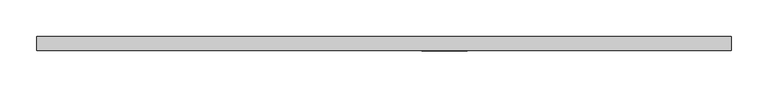
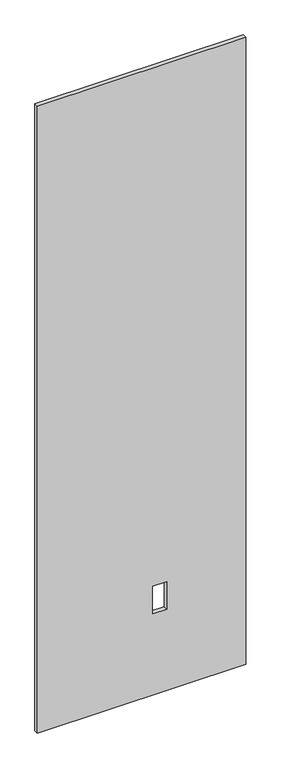
"""IFC4 building model written with IfcOpenShell, lengths in millimetres: proxy geometry."""

import ifcopenshell
import ifcopenshell.guid

model = None  # the IFC model being written
_history = None  # IfcOwnerHistory: only IFC2X3 demands one
_inside = {}  # id of a spatial element -> (the spatial element, [elements in it])
_under = {}  # id of a project, library or spatial element -> (it, [spatial elements below it])
_declared = {}  # id of a project -> (the project, [libraries it declares])
_typed = {}  # id of a type object -> (the type object, [elements of that type])
_made_of = {}  # id of a material, layer set ... -> (it, [elements and type objects made of it])


def new_model(schema):
    """Start an empty IFC model of exactly this schema.

    Asked for "IFC4X3", IfcOpenShell would pick the latest addendum, in which some entities
    have other attributes; the version numbers below select the first issue.
    IFC2X3 requires an IfcOwnerHistory on every rooted entity: one is made here for all.
    """
    global model, _history
    if schema == "IFC4X3":
        model = ifcopenshell.file(schema_version=(4, 3, 0, 0))
    else:
        model = ifcopenshell.file(schema=schema)
    _inside.clear()
    _under.clear()
    _declared.clear()
    _typed.clear()
    _made_of.clear()
    _history = None
    if model.schema == "IFC2X3":
        org = make("IfcOrganization", Name="unknown")
        user = make(
            "IfcPersonAndOrganization",
            ThePerson=make("IfcPerson", FamilyName="unknown"),
            TheOrganization=org,
        )
        app = make(
            "IfcApplication",
            ApplicationDeveloper=org,
            Version="unknown",
            ApplicationFullName="unknown",
            ApplicationIdentifier="unknown",
        )
        _history = make(
            "IfcOwnerHistory",
            OwningUser=user,
            OwningApplication=app,
            ChangeAction="ADDED",
            CreationDate=0,
        )
    return model


def make(cls, **values):
    """One entity of the class cls with the attributes given. An attribute that is None is left unset."""
    return model.create_entity(
        cls, **{name: value for name, value in values.items() if value is not None}
    )


def rooted(cls, **values):
    """An entity with a GlobalId (a new one), such as an element, a storey or a relation."""
    return make(cls, GlobalId=ifcopenshell.guid.new(), OwnerHistory=_history, **values)


def si_unit(unit_type, name, prefix=None):
    """IfcSIUnit, for example si_unit("LENGTHUNIT", "METRE", prefix="MILLI")."""
    return make("IfcSIUnit", UnitType=unit_type, Prefix=prefix, Name=name)


def assignment(units):
    """IfcUnitAssignment: the units of a project."""
    return None if units is None else make("IfcUnitAssignment", Units=units)


def point(xyz):
    """IfcCartesianPoint."""
    return None if xyz is None else make("IfcCartesianPoint", Coordinates=xyz)


def direction(xyz):
    """IfcDirection."""
    return None if xyz is None else make("IfcDirection", DirectionRatios=xyz)


def frame(location, z_axis=None, x_axis=None):
    """IfcAxis2Placement3D, a coordinate frame: its origin and axes. An axis left out is left unset."""
    return make(
        "IfcAxis2Placement3D",
        Location=point(location),
        Axis=direction(z_axis),
        RefDirection=direction(x_axis),
    )


def origin():
    """The frame at (0, 0, 0) with its axes left unset."""
    return frame((0.0, 0.0, 0.0))


def place(relative_to, where):
    """IfcLocalPlacement: puts the frame where relative to a parent placement (None: the world)."""
    return make(
        "IfcLocalPlacement", PlacementRelTo=relative_to, RelativePlacement=where
    )


def context(
    kind, dimensions, precision=None, world=None, true_north=None, identifier=None
):
    """IfcGeometricRepresentationContext, for example the 3D "Model" context."""
    return make(
        "IfcGeometricRepresentationContext",
        ContextIdentifier=identifier,
        ContextType=kind,
        CoordinateSpaceDimension=dimensions,
        Precision=precision,
        WorldCoordinateSystem=world,
        TrueNorth=true_north,
    )


def project(units=None, contexts=None):
    """IfcProject with its units and contexts."""
    return rooted(
        "IfcProject",
        Name="project",
        RepresentationContexts=contexts,
        UnitsInContext=assignment(units),
    )


def spatial(cls, under=None, at=None, **own):
    """A site, building, storey or space (cls), placed at a placement, below another one or the project."""
    s = rooted(cls, ObjectPlacement=at, **own)
    if under is not None:
        _under.setdefault(under.id(), (under, []))[1].append(s)
    return s


def polyline(points):
    """IfcPolyline through the points."""
    return make("IfcPolyline", Points=[point(p) for p in points])


def outline(outer, holes=None, kind="AREA"):
    """IfcArbitraryClosedProfileDef: a profile drawn as a closed curve; with holes, ...WithVoids."""
    if holes is None:
        return make("IfcArbitraryClosedProfileDef", ProfileType=kind, OuterCurve=outer)
    return make(
        "IfcArbitraryProfileDefWithVoids",
        ProfileType=kind,
        OuterCurve=outer,
        InnerCurves=holes,
    )


def extrude(swept, where, along, depth):
    """IfcExtrudedAreaSolid: the profile swept, set in the frame where, extruded along a direction by depth."""
    return make(
        "IfcExtrudedAreaSolid",
        SweptArea=swept,
        Position=where,
        ExtrudedDirection=direction(along),
        Depth=depth,
    )


def shape(context_of_items, identifier, shape_type, items):
    """IfcShapeRepresentation: the items that make up one representation, for example the "Body"."""
    return make(
        "IfcShapeRepresentation",
        ContextOfItems=context_of_items,
        RepresentationIdentifier=identifier,
        RepresentationType=shape_type,
        Items=items,
    )


def source(mapping_origin, context_of_items, identifier, shape_type, items):
    """IfcRepresentationMap: a shape defined once, which mapped items show again and again."""
    return make(
        "IfcRepresentationMap",
        MappingOrigin=mapping_origin,
        MappedRepresentation=shape(context_of_items, identifier, shape_type, items),
    )


def transform(
    local_origin,
    x_axis=None,
    y_axis=None,
    z_axis=None,
    scale=None,
    scale2=None,
    scale3=None,
    uniform=True,
):
    """IfcCartesianTransformationOperator3D, or its non-uniform kind. x_axis, y_axis, z_axis: its Axis1, 2, 3."""
    if uniform:
        return make(
            "IfcCartesianTransformationOperator3D",
            Axis1=direction(x_axis),
            Axis2=direction(y_axis),
            LocalOrigin=point(local_origin),
            Scale=scale,
            Axis3=direction(z_axis),
        )
    return make(
        "IfcCartesianTransformationOperator3DnonUniform",
        Axis1=direction(x_axis),
        Axis2=direction(y_axis),
        LocalOrigin=point(local_origin),
        Scale=scale,
        Axis3=direction(z_axis),
        Scale2=scale2,
        Scale3=scale3,
    )


def mapped(mapping_source, mapping_target):
    """IfcMappedItem: shows the shape of a source again, moved by a transform."""
    return make(
        "IfcMappedItem", MappingSource=mapping_source, MappingTarget=mapping_target
    )


def made_of(thing, what):
    """Note that an element or type object is made of a material, layer set ...; save() writes the relation."""
    if what is not None:
        _made_of.setdefault(what.id(), (what, []))[1].append(thing)
    return thing


def element(
    cls,
    number,
    at=None,
    inside=None,
    cuts=None,
    type_object=None,
    material=None,
    context=None,
    identifier="Body",
    shape_type=None,
    held_by="IfcProductDefinitionShape",
    body=None,
    shapes=None,
    **own,
):
    """One element of the class cls, such as IfcWall. Its Tag is "e" and its number.

    at: its placement. inside: the storey or other place that contains it. cuts: it is an
    opening in that element (IfcRelVoidsElement). A single representation is given by context,
    identifier, shape_type and body (its items); several are given by shapes. held_by: the class
    of the entity that holds the representations. save() writes the other relations.
    """
    e = rooted(cls, Tag="e%d" % number, ObjectPlacement=at, **own)
    if body is not None:
        shapes = [shape(context, identifier, shape_type, body)]
    if shapes is not None:
        e.Representation = make(held_by, Representations=shapes)
    if inside is not None:
        _inside.setdefault(inside.id(), (inside, []))[1].append(e)
    if cuts is not None:
        rooted(
            "IfcRelVoidsElement", RelatingBuildingElement=cuts, RelatedOpeningElement=e
        )
    if type_object is not None:
        _typed.setdefault(type_object.id(), (type_object, []))[1].append(e)
    return made_of(e, material)


def aggregate(whole, parts):
    """IfcRelAggregates: a whole, such as a stair, and the parts it consists of."""
    return rooted("IfcRelAggregates", RelatingObject=whole, RelatedObjects=parts)


def save(model, path):
    """Write the relations noted so far, then the file.

    IfcRelAggregates (storeys below a building ...), IfcRelContainedInSpatialStructure (elements
    in a storey), IfcRelDefinesByType, IfcRelAssociatesMaterial and IfcRelDeclares: one each for
    every whole, place, type object, material and project.
    """
    for whole, parts in _under.values():
        aggregate(whole, parts)
    for where, things in _inside.values():
        rooted(
            "IfcRelContainedInSpatialStructure",
            RelatedElements=things,
            RelatingStructure=where,
        )
    for kind, things in _typed.values():
        rooted("IfcRelDefinesByType", RelatedObjects=things, RelatingType=kind)
    for what, things in _made_of.values():
        rooted("IfcRelAssociatesMaterial", RelatedObjects=things, RelatingMaterial=what)
    for by, libraries in _declared.values():
        rooted("IfcRelDeclares", RelatingContext=by, RelatedDefinitions=libraries)
    model.write(path)


def specialty_equipment_fd201a80(model_context):
    return source(origin(), model_context, "Body", "SweptSolid", [
        extrude(outline(polyline([(2999.5368001, 471.2750006), (2999.5368001, -471.2750006), (3.175, -471.2750006), (3.175, 471.2750006), (2999.5368001, 471.2750006)]), holes=[polyline([(522.478, 112.8268), (391.922, 112.8268), (391.922, 51.3588), (522.478, 51.3588), (522.478, 112.8268)])]), frame((0.0, -9.525, 0.0), z_axis=(0.0, 1.0, 0.0), x_axis=(0.0, 0.0, 1.0)), (0.0, 0.0, 1.0), 19.05),
    ])


if __name__ == "__main__":
    model = new_model("IFC4")
    model_context = context("Model", 3, world=origin())
    ifc_project = project(units=[si_unit("LENGTHUNIT", "METRE", prefix="MILLI")], contexts=[model_context])
    site = spatial("IfcSite", under=ifc_project)
    building = spatial("IfcBuilding", under=site)
    placement = place(None, origin())
    specialty_equipment_shape = specialty_equipment_fd201a80(model_context)
    element("IfcBuildingElementProxy", 1, Name="Specialty Equipment", at=placement, inside=building, context=model_context, shape_type="MappedRepresentation", body=[
        mapped(specialty_equipment_shape, transform((0.0, 0.0, 0.0), x_axis=(1.0, 0.0, 0.0), y_axis=(0.0, 1.0, 0.0), z_axis=(0.0, 0.0, 1.0))),
    ])
    save(model, "model.ifc")
